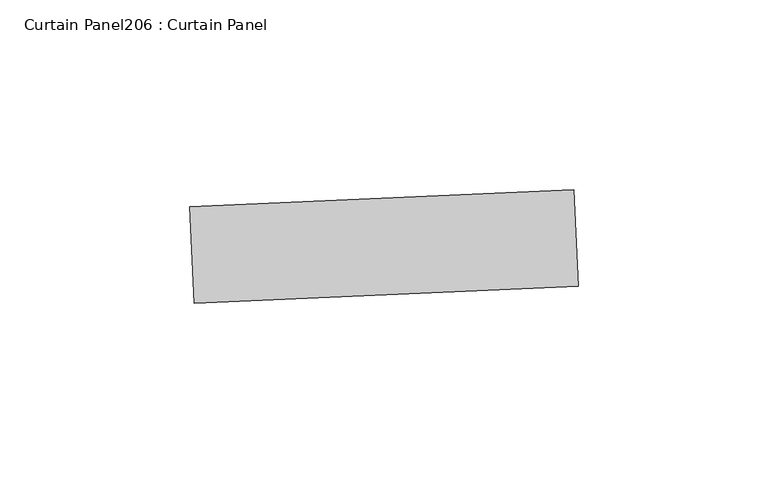
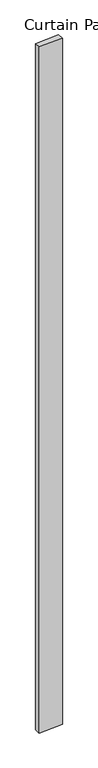
"""IFC4 building model written with IfcOpenShell, lengths in millimetres: plate geometry, Curtain Panel206 : Curtain Panel."""

import ifcopenshell
import ifcopenshell.guid

model = None  # the IFC model being written
_history = None  # IfcOwnerHistory: only IFC2X3 demands one
_inside = {}  # id of a spatial element -> (the spatial element, [elements in it])
_under = {}  # id of a project, library or spatial element -> (it, [spatial elements below it])
_declared = {}  # id of a project -> (the project, [libraries it declares])
_typed = {}  # id of a type object -> (the type object, [elements of that type])
_made_of = {}  # id of a material, layer set ... -> (it, [elements and type objects made of it])


def new_model(schema):
    """Start an empty IFC model of exactly this schema.

    Asked for "IFC4X3", IfcOpenShell would pick the latest addendum, in which some entities
    have other attributes; the version numbers below select the first issue.
    IFC2X3 requires an IfcOwnerHistory on every rooted entity: one is made here for all.
    """
    global model, _history
    if schema == "IFC4X3":
        model = ifcopenshell.file(schema_version=(4, 3, 0, 0))
    else:
        model = ifcopenshell.file(schema=schema)
    _inside.clear()
    _under.clear()
    _declared.clear()
    _typed.clear()
    _made_of.clear()
    _history = None
    if model.schema == "IFC2X3":
        org = make("IfcOrganization", Name="unknown")
        user = make(
            "IfcPersonAndOrganization",
            ThePerson=make("IfcPerson", FamilyName="unknown"),
            TheOrganization=org,
        )
        app = make(
            "IfcApplication",
            ApplicationDeveloper=org,
            Version="unknown",
            ApplicationFullName="unknown",
            ApplicationIdentifier="unknown",
        )
        _history = make(
            "IfcOwnerHistory",
            OwningUser=user,
            OwningApplication=app,
            ChangeAction="ADDED",
            CreationDate=0,
        )
    return model


def make(cls, **values):
    """One entity of the class cls with the attributes given. An attribute that is None is left unset."""
    return model.create_entity(
        cls, **{name: value for name, value in values.items() if value is not None}
    )


def rooted(cls, **values):
    """An entity with a GlobalId (a new one), such as an element, a storey or a relation."""
    return make(cls, GlobalId=ifcopenshell.guid.new(), OwnerHistory=_history, **values)


def si_unit(unit_type, name, prefix=None):
    """IfcSIUnit, for example si_unit("LENGTHUNIT", "METRE", prefix="MILLI")."""
    return make("IfcSIUnit", UnitType=unit_type, Prefix=prefix, Name=name)


def assignment(units):
    """IfcUnitAssignment: the units of a project."""
    return None if units is None else make("IfcUnitAssignment", Units=units)


def point(xyz):
    """IfcCartesianPoint."""
    return None if xyz is None else make("IfcCartesianPoint", Coordinates=xyz)


def direction(xyz):
    """IfcDirection."""
    return None if xyz is None else make("IfcDirection", DirectionRatios=xyz)


def frame(location, z_axis=None, x_axis=None):
    """IfcAxis2Placement3D, a coordinate frame: its origin and axes. An axis left out is left unset."""
    return make(
        "IfcAxis2Placement3D",
        Location=point(location),
        Axis=direction(z_axis),
        RefDirection=direction(x_axis),
    )


def origin():
    """The frame at (0, 0, 0) with its axes left unset."""
    return frame((0.0, 0.0, 0.0))


def place(relative_to, where):
    """IfcLocalPlacement: puts the frame where relative to a parent placement (None: the world)."""
    return make(
        "IfcLocalPlacement", PlacementRelTo=relative_to, RelativePlacement=where
    )


def context(
    kind, dimensions, precision=None, world=None, true_north=None, identifier=None
):
    """IfcGeometricRepresentationContext, for example the 3D "Model" context."""
    return make(
        "IfcGeometricRepresentationContext",
        ContextIdentifier=identifier,
        ContextType=kind,
        CoordinateSpaceDimension=dimensions,
        Precision=precision,
        WorldCoordinateSystem=world,
        TrueNorth=true_north,
    )


def project(units=None, contexts=None):
    """IfcProject with its units and contexts."""
    return rooted(
        "IfcProject",
        Name="project",
        RepresentationContexts=contexts,
        UnitsInContext=assignment(units),
    )


def spatial(cls, under=None, at=None, **own):
    """A site, building, storey or space (cls), placed at a placement, below another one or the project."""
    s = rooted(cls, ObjectPlacement=at, **own)
    if under is not None:
        _under.setdefault(under.id(), (under, []))[1].append(s)
    return s


def polyline(points):
    """IfcPolyline through the points."""
    return make("IfcPolyline", Points=[point(p) for p in points])


def outline(outer, holes=None, kind="AREA"):
    """IfcArbitraryClosedProfileDef: a profile drawn as a closed curve; with holes, ...WithVoids."""
    if holes is None:
        return make("IfcArbitraryClosedProfileDef", ProfileType=kind, OuterCurve=outer)
    return make(
        "IfcArbitraryProfileDefWithVoids",
        ProfileType=kind,
        OuterCurve=outer,
        InnerCurves=holes,
    )


def extrude(swept, where, along, depth):
    """IfcExtrudedAreaSolid: the profile swept, set in the frame where, extruded along a direction by depth."""
    return make(
        "IfcExtrudedAreaSolid",
        SweptArea=swept,
        Position=where,
        ExtrudedDirection=direction(along),
        Depth=depth,
    )


def shape(context_of_items, identifier, shape_type, items):
    """IfcShapeRepresentation: the items that make up one representation, for example the "Body"."""
    return make(
        "IfcShapeRepresentation",
        ContextOfItems=context_of_items,
        RepresentationIdentifier=identifier,
        RepresentationType=shape_type,
        Items=items,
    )


def source(mapping_origin, context_of_items, identifier, shape_type, items):
    """IfcRepresentationMap: a shape defined once, which mapped items show again and again."""
    return make(
        "IfcRepresentationMap",
        MappingOrigin=mapping_origin,
        MappedRepresentation=shape(context_of_items, identifier, shape_type, items),
    )


def transform(
    local_origin,
    x_axis=None,
    y_axis=None,
    z_axis=None,
    scale=None,
    scale2=None,
    scale3=None,
    uniform=True,
):
    """IfcCartesianTransformationOperator3D, or its non-uniform kind. x_axis, y_axis, z_axis: its Axis1, 2, 3."""
    if uniform:
        return make(
            "IfcCartesianTransformationOperator3D",
            Axis1=direction(x_axis),
            Axis2=direction(y_axis),
            LocalOrigin=point(local_origin),
            Scale=scale,
            Axis3=direction(z_axis),
        )
    return make(
        "IfcCartesianTransformationOperator3DnonUniform",
        Axis1=direction(x_axis),
        Axis2=direction(y_axis),
        LocalOrigin=point(local_origin),
        Scale=scale,
        Axis3=direction(z_axis),
        Scale2=scale2,
        Scale3=scale3,
    )


def mapped(mapping_source, mapping_target):
    """IfcMappedItem: shows the shape of a source again, moved by a transform."""
    return make(
        "IfcMappedItem", MappingSource=mapping_source, MappingTarget=mapping_target
    )


def made_of(thing, what):
    """Note that an element or type object is made of a material, layer set ...; save() writes the relation."""
    if what is not None:
        _made_of.setdefault(what.id(), (what, []))[1].append(thing)
    return thing


def element(
    cls,
    number,
    at=None,
    inside=None,
    cuts=None,
    type_object=None,
    material=None,
    context=None,
    identifier="Body",
    shape_type=None,
    held_by="IfcProductDefinitionShape",
    body=None,
    shapes=None,
    **own,
):
    """One element of the class cls, such as IfcWall. Its Tag is "e" and its number.

    at: its placement. inside: the storey or other place that contains it. cuts: it is an
    opening in that element (IfcRelVoidsElement). A single representation is given by context,
    identifier, shape_type and body (its items); several are given by shapes. held_by: the class
    of the entity that holds the representations. save() writes the other relations.
    """
    e = rooted(cls, Tag="e%d" % number, ObjectPlacement=at, **own)
    if body is not None:
        shapes = [shape(context, identifier, shape_type, body)]
    if shapes is not None:
        e.Representation = make(held_by, Representations=shapes)
    if inside is not None:
        _inside.setdefault(inside.id(), (inside, []))[1].append(e)
    if cuts is not None:
        rooted(
            "IfcRelVoidsElement", RelatingBuildingElement=cuts, RelatedOpeningElement=e
        )
    if type_object is not None:
        _typed.setdefault(type_object.id(), (type_object, []))[1].append(e)
    return made_of(e, material)


def aggregate(whole, parts):
    """IfcRelAggregates: a whole, such as a stair, and the parts it consists of."""
    return rooted("IfcRelAggregates", RelatingObject=whole, RelatedObjects=parts)


def save(model, path):
    """Write the relations noted so far, then the file.

    IfcRelAggregates (storeys below a building ...), IfcRelContainedInSpatialStructure (elements
    in a storey), IfcRelDefinesByType, IfcRelAssociatesMaterial and IfcRelDeclares: one each for
    every whole, place, type object, material and project.
    """
    for whole, parts in _under.values():
        aggregate(whole, parts)
    for where, things in _inside.values():
        rooted(
            "IfcRelContainedInSpatialStructure",
            RelatedElements=things,
            RelatingStructure=where,
        )
    for kind, things in _typed.values():
        rooted("IfcRelDefinesByType", RelatedObjects=things, RelatingType=kind)
    for what, things in _made_of.values():
        rooted("IfcRelAssociatesMaterial", RelatedObjects=things, RelatingMaterial=what)
    for by, libraries in _declared.values():
        rooted("IfcRelDeclares", RelatingContext=by, RelatedDefinitions=libraries)
    model.write(path)


def curtain_panel206_curtain_panel_97e371a7(model_context):
    return source(origin(), model_context, "Body", "SweptSolid", [
        extrude(outline(polyline([(616684.674543, 2424.2941044), (616583.55532, 2419.8791437), (616582.4473875, 2445.2549686), (616683.5666106, 2449.6699292), (616684.674543, 2424.2941044)])), frame((0.0, 0.0, 4959.7989371), z_axis=(0.0, 0.0, 1.0), x_axis=(1.0, 0.0, 0.0)), (0.0, 0.0, 1.0), 3048.0),
    ])


if __name__ == "__main__":
    model = new_model("IFC4")
    model_context = context("Model", 3, world=origin())
    ifc_project = project(units=[si_unit("LENGTHUNIT", "METRE", prefix="MILLI")], contexts=[model_context])
    site = spatial("IfcSite", under=ifc_project)
    building = spatial("IfcBuilding", under=site)
    placement = place(None, origin())
    curtain_panel206_curtain_panel_shape = curtain_panel206_curtain_panel_97e371a7(model_context)
    element("IfcPlate", 1, ObjectType="Curtain Panel206 : Curtain Panel", at=placement, inside=building, context=model_context, shape_type="MappedRepresentation", body=[
        mapped(curtain_panel206_curtain_panel_shape, transform((0.0, 0.0, 0.0), x_axis=(1.0, 0.0, 0.0), y_axis=(0.0, 1.0, 0.0), z_axis=(0.0, 0.0, 1.0))),
    ])
    save(model, "model.ifc")
